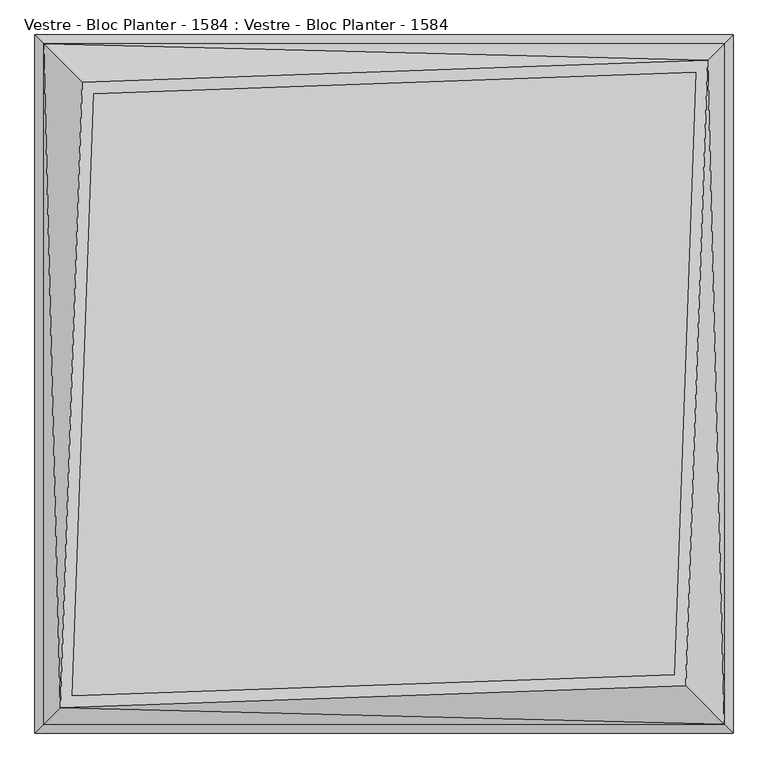
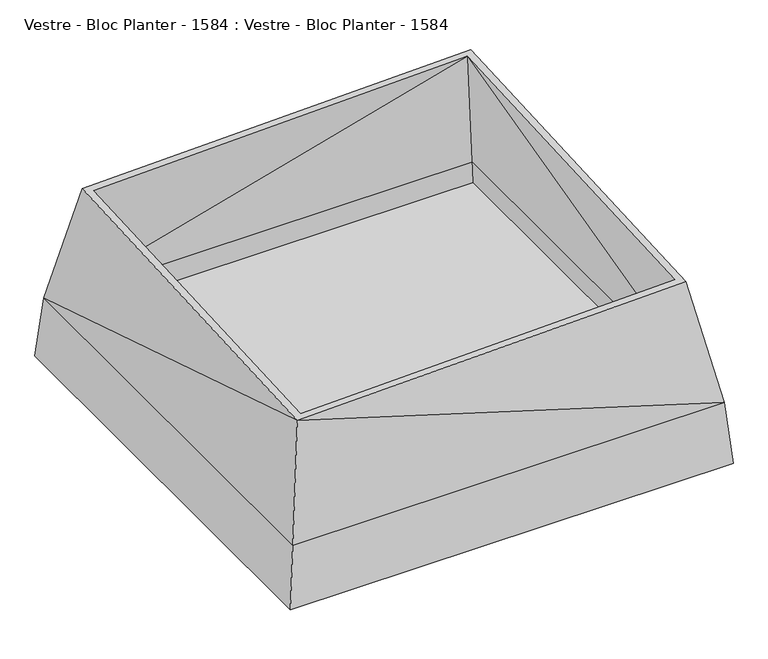
"""IFC4 building model written with IfcOpenShell, lengths in millimetres: furniture geometry, Vestre - Bloc Planter - 1584 : Vestre - Bloc Planter - 1584."""

from ifc_helpers import new_model, si_unit, frame, origin, place, context, project, spatial, polyline, circle_curve, source, transform, mapped, element, save
from ifc_brep_helpers import plane_surface, cylinder_surface, revolved_surface, advanced_brep


def vestre_bloc_planter_1584_vestre_bloc_planter_1584_76a7275d(model_context):
    return source(origin(), model_context, "Body", "AdvancedBrep", [
        advanced_brep(
        [(578.8108123, -673.1741054, 21.3333333), (486.3952592, -580.7585523, 21.3333333), (486.3952592, -580.7585523, 0.0), (578.7921693, -673.1554625, 0.0), (595.761108, -690.1244011, 23.9977032), (595.761108, -690.1244011, 53.3333333), (580.6761633, -675.0394565, 53.3333333), (580.6761633, -675.0394565, 23.9713381), (673.0917164, -578.8932012, 21.3333333), (674.9570675, -580.7585523, 23.9713381), (674.9570675, -580.7585523, 53.3333333), (690.0420121, -595.843497, 53.3333333), (690.0420121, -595.843497, 23.9977032), (673.0730735, -578.8745583, 0.0), (580.6761633, -486.4776482, 0.0), (580.6761633, -486.4776482, 21.3333333), (482.3822865, -773.3333333, 53.3333333), (492.2414414, -763.4741784, 165.3333333), (621.9656572, -633.7499626, 165.3333333), (633.6693874, -622.0462324, 165.3333333), (763.4741784, -492.2414414, 165.3333333), (773.3333333, -482.3822865, 53.3333333), (773.3333333, -512.5521758, 53.3333333), (763.4741784, -522.4113307, 165.3333333), (522.4113307, -763.4741784, 165.3333333), (512.5521758, -773.3333333, 53.3333333), (633.6693874, -633.7499626, 165.3333333), (-800.0, -800.0, 53.3333333), (-800.0, 800.0, 53.3333333), (800.0, 800.0, 53.3333333), (800.0, -800.0, 53.3333333), (773.3333333, -773.3333333, 53.3333333), (773.3333333, 482.3822865, 53.3333333), (674.9570675, 580.7585523, 53.3333333), (690.0420121, 595.843497, 53.3333333), (773.3333333, 512.5521758, 53.3333333), (773.3333333, 773.3333333, 53.3333333), (512.5521758, 773.3333333, 53.3333333), (595.761108, 690.1244011, 53.3333333), (580.6761633, 675.0394565, 53.3333333), (482.3822865, 773.3333333, 53.3333333), (-482.3822865, 773.3333333, 53.3333333), (-580.6761633, 675.0394565, 53.3333333), (-595.761108, 690.1244011, 53.3333333), (-512.5521758, 773.3333333, 53.3333333), (-773.3333333, 773.3333333, 53.3333333), (-773.3333333, 512.5521758, 53.3333333), (-690.0420121, 595.843497, 53.3333333), (-674.9570675, 580.7585523, 53.3333333), (-773.3333333, 482.3822865, 53.3333333), (-773.3333333, -482.3822865, 53.3333333), (-674.9570675, -580.7585523, 53.3333333), (-690.0420121, -595.843497, 53.3333333), (-773.3333333, -512.5521758, 53.3333333), (-773.3333333, -773.3333333, 53.3333333), (-512.5521758, -773.3333333, 53.3333333), (-595.761108, -690.1244011, 53.3333333), (-580.6761633, -675.0394565, 53.3333333), (-482.3822865, -773.3333333, 53.3333333), (-580.6761633, -675.0394565, 23.9713381), (-578.8108123, -673.1741054, 21.3333333), (-673.0917164, -578.8932012, 21.3333333), (-674.9570675, -580.7585523, 23.9713381), (-486.3952592, -580.7585523, 21.3333333), (-580.6761633, -486.4776482, 21.3333333), (-486.3952592, -580.7585523, 0.0), (-580.6761633, -486.4776482, 0.0), (-578.7921693, -673.1554625, 0.0), (-673.0730735, -578.8745583, 0.0), (-595.761108, -690.1244011, 23.9977032), (-690.0420121, -595.843497, 23.9977032), (-522.4113307, -763.4741784, 165.3333333), (-763.4741784, -522.4113307, 165.3333333), (-763.4741784, -492.2414414, 165.3333333), (-633.6681782, -622.0474416, 165.3333333), (-621.9656572, -633.7499626, 165.3333333), (-492.2414414, -763.4741784, 165.3333333), (-633.6681782, -633.7499626, 165.3333333), (741.6742243, 741.6742243, 721.8593225), (780.0, -780.0, 280.6554661), (780.0105298, 780.0, 280.534248), (-741.6742243, -741.6742243, 721.8593225), (-780.0104562, -780.0104562, 280.5350948), (-780.0, 780.0, 280.6554661), (753.3333333, 753.3333323, 280.5333449), (-753.3333333, 753.3333323, 280.5333449), (-760.8920188, 760.8920188, 194.6666667), (760.8920188, 760.8920188, 194.6666667), (-763.4741784, 763.4741784, 165.3333333), (-522.4113307, 763.4741784, 165.3333333), (763.4741784, 763.4741784, 165.3333333), (522.4113307, 763.4741784, 165.3333333), (492.2414414, 763.4741784, 165.3333333), (-492.2414414, 763.4741784, 165.3333333), (763.4741784, 492.2414414, 165.3333333), (763.4741784, -763.4741784, 165.3333333), (763.4741784, 522.4113307, 165.3333333), (753.3333323, -753.3333333, 280.5333448), (760.8920188, -760.8920188, 194.6666667), (-763.4741784, -763.4741784, 165.3333333), (-753.3333333, -753.3333323, 280.5333447), (-760.8920188, -760.8920188, 194.6666667), (-763.4741784, 492.2414414, 165.3333333), (-763.4741784, 522.4113307, 165.3333333), (714.0222995, 714.0183722, 721.8593225), (-665.6906992, 665.4851819, 721.8593225), (665.6800069, -665.8454104, 721.8593225), (-714.0225165, -714.0256842, 721.8593225), (-691.4706418, 691.2614989, 721.8593225), (691.4597608, -691.6280828, 721.8593225), (633.6693874, 622.0462324, 165.3333333), (-633.6681782, 622.0474416, 165.3333333), (622.1280168, 633.587603, 165.3333333), (-622.1280168, 633.587603, 165.3333333), (-633.6681782, 633.587603, 186.6666667), (-633.6681782, 633.587603, 165.3333333), (633.6693874, 633.587603, 165.3333333), (633.6693874, 633.587603, 186.6666667), (633.6693874, -633.7499626, 186.6666667), (-633.6681782, -633.7499626, 186.6666667), (690.0420121, 595.843497, 23.9977032), (595.761108, 690.1244011, 23.9977032), (580.6761633, 675.0394565, 23.9713381), (674.9570675, 580.7585523, 23.9713381), (-595.761108, 690.1244011, 23.9977032), (-690.0420121, 595.843497, 23.9977032), (-674.9570675, 580.7585523, 23.9713381), (-580.6761633, 675.0394565, 23.9713381), (578.8108123, 673.1741054, 21.3333333), (578.7921693, 673.1554625, 0.0), (486.3952592, 580.7585523, 0.0), (486.3952592, 580.7585523, 21.3333333), (673.0917164, 578.8932012, 21.3333333), (580.6761633, 486.4776482, 21.3333333), (580.6761633, 486.4776482, 0.0), (673.0730735, 578.8745583, 0.0), (-578.8108123, 673.1741054, 21.3333333), (-486.3952592, 580.7585523, 21.3333333), (-486.3952592, 580.7585523, 0.0), (-578.7921693, 673.1554625, 0.0), (-673.0917164, 578.8932012, 21.3333333), (-673.0730735, 578.8745583, 0.0), (-580.6761633, 486.4776482, 0.0), (-580.6761633, 486.4776482, 21.3333333)],
        [
            (0, 1),
            (1, 2),
            (2, 3),
            (3, 4, circle_curve(frame((578.7921693, -673.1554625, 23.9977032), z_axis=(-0.7071067811863656, -0.7071067811867294, 0.0), x_axis=(0.0, 0.0, 1.0)), 23.9977032)),
            (4, 5),
            (5, 6),
            (6, 7),
            (7, 0, circle_curve(frame((578.8108123, -673.1741054, 23.9713381), z_axis=(0.7071067811863656, 0.7071067811867294, 0.0), x_axis=(0.0, 0.0, 1.0)), 2.6380048)),
            (8, 9, circle_curve(frame((673.0917164, -578.8932012, 23.9713381), z_axis=(-0.7071067811863656, -0.7071067811867294, 0.0), x_axis=(0.0, 0.0, 1.0)), 2.6380048)),
            (9, 10),
            (10, 11),
            (11, 12),
            (12, 13, circle_curve(frame((673.0730735, -578.8745583, 23.9977032), z_axis=(0.7071067811863656, 0.7071067811867294, 0.0), x_axis=(0.0, 0.0, 1.0)), 23.9977032)),
            (13, 14),
            (14, 15),
            (15, 8),
            (7, 9),
            (8, 0),
            (6, 16),
            (16, 17),
            (17, 18),
            (18, 19),
            (19, 20),
            (20, 21),
            (21, 10),
            (4, 12),
            (11, 22),
            (22, 23),
            (23, 24),
            (24, 25),
            (25, 5),
            (3, 13),
            (2, 14),
            (1, 15),
            (18, 26),
            (26, 19),
            (27, 28),
            (28, 29),
            (29, 30),
            (30, 27),
            (25, 31),
            (31, 22),
            (21, 32),
            (32, 33),
            (33, 34),
            (34, 35),
            (35, 36),
            (36, 37),
            (37, 38),
            (38, 39),
            (39, 40),
            (40, 41),
            (41, 42),
            (42, 43),
            (43, 44),
            (44, 45),
            (45, 46),
            (46, 47),
            (47, 48),
            (48, 49),
            (49, 50),
            (50, 51),
            (51, 52),
            (52, 53),
            (53, 54),
            (54, 55),
            (55, 56),
            (56, 57),
            (57, 58),
            (58, 16),
            (59, 60, circle_curve(frame((-578.8108123, -673.1741054, 23.9713381), z_axis=(0.7071067811863656, -0.7071067811867294, 0.0), x_axis=(0.0, 0.0, 1.0)), 2.6380048)),
            (60, 61),
            (61, 62, circle_curve(frame((-673.0917164, -578.8932012, 23.9713381), z_axis=(-0.7071067811863656, 0.7071067811867294, 0.0), x_axis=(0.0, 0.0, 1.0)), 2.6380048)),
            (62, 59),
            (60, 63),
            (63, 64),
            (64, 61),
            (63, 65),
            (65, 66),
            (66, 64),
            (65, 67),
            (67, 68),
            (68, 66),
            (67, 69, circle_curve(frame((-578.7921693, -673.1554625, 23.9977032), z_axis=(-0.7071067811863656, 0.7071067811867294, 0.0), x_axis=(0.0, 0.0, 1.0)), 23.9977032)),
            (69, 70),
            (70, 68, circle_curve(frame((-673.0730735, -578.8745583, 23.9977032), z_axis=(0.7071067811863656, -0.7071067811867294, 0.0), x_axis=(0.0, 0.0, 1.0)), 23.9977032)),
            (70, 52),
            (51, 62),
            (59, 57),
            (56, 69),
            (55, 71),
            (71, 72),
            (72, 53),
            (50, 73),
            (73, 74),
            (74, 75),
            (75, 76),
            (76, 58),
            (74, 77),
            (77, 75),
            (78, 79),
            (79, 80),
            (80, 78),
            (79, 81),
            (81, 82),
            (82, 79),
            (81, 83),
            (83, 82),
            (80, 83),
            (83, 78),
            (84, 85),
            (85, 86),
            (86, 87),
            (87, 84),
            (88, 45),
            (44, 89),
            (89, 88),
            (36, 90),
            (90, 91),
            (91, 37),
            (40, 92),
            (92, 93),
            (93, 41),
            (20, 94),
            (94, 32),
            (31, 95),
            (95, 23),
            (35, 96),
            (96, 90),
            (97, 84),
            (87, 98),
            (98, 97),
            (24, 95),
            (54, 99),
            (99, 71),
            (76, 17),
            (100, 97),
            (98, 101),
            (101, 100),
            (72, 99),
            (49, 102),
            (102, 73),
            (88, 103),
            (103, 46),
            (85, 100),
            (101, 86),
            (97, 104),
            (104, 84),
            (85, 104),
            (104, 105),
            (105, 85),
            (97, 106),
            (106, 104),
            (100, 107),
            (107, 97),
            (85, 107),
            (107, 106),
            (105, 107),
            (81, 108),
            (108, 83),
            (108, 78),
            (78, 109),
            (109, 79),
            (109, 81),
            (83, 28),
            (27, 82),
            (80, 29),
            (79, 30),
            (19, 110),
            (110, 94),
            (102, 111),
            (111, 74),
            (89, 103),
            (96, 91),
            (75, 18),
            (92, 112),
            (112, 113),
            (113, 93),
            (114, 115),
            (115, 113),
            (112, 116),
            (116, 117),
            (117, 114),
            (116, 110),
            (26, 118),
            (118, 117),
            (77, 119),
            (119, 118),
            (114, 119),
            (111, 115),
            (112, 110),
            (34, 120),
            (120, 121),
            (121, 38),
            (39, 122),
            (122, 123),
            (123, 33),
            (111, 113),
            (43, 124),
            (124, 125),
            (125, 47),
            (48, 126),
            (126, 127),
            (127, 42),
            (128, 122, circle_curve(frame((578.8108123, 673.1741054, 23.9713381), z_axis=(0.7071067811863656, -0.7071067811867294, 0.0), x_axis=(0.0, 0.0, 1.0)), 2.6380048)),
            (121, 129, circle_curve(frame((578.7921693, 673.1554625, 23.9977032), z_axis=(-0.7071067811863656, 0.7071067811867294, 0.0), x_axis=(0.0, 0.0, 1.0)), 23.9977032)),
            (129, 130),
            (130, 131),
            (131, 128),
            (132, 133),
            (133, 134),
            (134, 135),
            (135, 120, circle_curve(frame((673.0730735, 578.8745583, 23.9977032), z_axis=(0.7071067811863656, -0.7071067811867294, 0.0), x_axis=(0.0, 0.0, 1.0)), 23.9977032)),
            (123, 132, circle_curve(frame((673.0917164, 578.8932012, 23.9713381), z_axis=(-0.7071067811863656, 0.7071067811867294, 0.0), x_axis=(0.0, 0.0, 1.0)), 2.6380048)),
            (128, 132),
            (135, 129),
            (134, 130),
            (133, 131),
            (136, 137),
            (137, 138),
            (138, 139),
            (139, 124, circle_curve(frame((-578.7921693, 673.1554625, 23.9977032), z_axis=(0.7071067811863656, 0.7071067811867294, 0.0), x_axis=(0.0, 0.0, 1.0)), 23.9977032)),
            (127, 136, circle_curve(frame((-578.8108123, 673.1741054, 23.9713381), z_axis=(-0.7071067811863656, -0.7071067811867294, 0.0), x_axis=(0.0, 0.0, 1.0)), 2.6380048)),
            (140, 126, circle_curve(frame((-673.0917164, 578.8932012, 23.9713381), z_axis=(0.7071067811863656, 0.7071067811867294, 0.0), x_axis=(0.0, 0.0, 1.0)), 2.6380048)),
            (125, 141, circle_curve(frame((-673.0730735, 578.8745583, 23.9977032), z_axis=(-0.7071067811863656, -0.7071067811867294, 0.0), x_axis=(0.0, 0.0, 1.0)), 23.9977032)),
            (141, 142),
            (142, 143),
            (143, 140),
            (140, 136),
            (139, 141),
            (138, 142),
            (137, 143),
        ],
        [
            plane_surface(frame((486.3952592, -580.7585523, 21.3333333), z_axis=(-0.7071067811863656, -0.7071067811867294, 0.0), x_axis=(-0.7071067811867294, 0.7071067811863656, 0.0))),
            plane_surface(frame((580.6761633, -486.4776482, 21.3333333), z_axis=(0.7071067811863656, 0.7071067811867294, 0.0), x_axis=(0.7071067811867294, -0.7071067811863656, 0.0))),
            revolved_surface(polyline([(673.0917164, -578.8932012, 26.6093429), (578.8108122000237, -673.1741054000247, 26.6093429)]), (673.0917164, -578.8932012, 23.9713381), (0.7071067811863656, 0.7071067811867294, 0.0)),
            plane_surface(frame((580.6761633, -675.0394565, 53.3333333), z_axis=(-0.7071067811867292, 0.7071067811863658, 0.0), x_axis=(0.7071067811863658, 0.7071067811867292, 0.0))),
            plane_surface(frame((595.761108, -690.1244011, 23.9977032), z_axis=(0.7071067811867298, -0.7071067811863653, 0.0), x_axis=(0.7071067811863653, 0.7071067811867298, 0.0))),
            cylinder_surface(frame((673.0730735, -578.8745583, 23.9977032), z_axis=(-0.7071067811863656, -0.7071067811867294, 0.0), x_axis=(0.0, 0.0, 1.0)), 23.9977032),
            plane_surface(frame((486.3952592, -580.7585523, 0.0), z_axis=(0.0, 0.0, -1.0000000000000002), x_axis=(0.7071067811863656, 0.7071067811867295, 0.0))),
            plane_surface(frame((486.3952592, -580.7585523, 21.3333333), z_axis=(-0.7071067811867295, 0.7071067811863656, 0.0), x_axis=(0.7071067811863656, 0.7071067811867295, 0.0))),
            plane_surface(frame((578.8108123, -673.1741054, 21.3333333), z_axis=(0.0, 0.0, 1.0), x_axis=(0.7071067811863658, 0.7071067811867292, 0.0))),
            plane_surface(frame((773.3333333, -482.3822865, 165.3333333), z_axis=(0.0, 0.0, 1.0), x_axis=(0.0, 1.0, 0.0))),
            plane_surface(frame((773.3333333, -482.3822865, 53.3333333), z_axis=(0.0, 0.0, -1.0), x_axis=(0.0, -1.0, 0.0))),
            revolved_surface(polyline([(-673.0917164, -578.8932012, 26.6093429), (-578.8108122000237, -673.1741054000247, 26.6093429)]), (-673.0917164, -578.8932012, 23.9713381), (-0.7071067811863656, 0.7071067811867294, 0.0)),
            plane_surface(frame((-486.3952592, -580.7585523, 21.3333333), z_axis=(0.0, 0.0, 1.0000000000000002), x_axis=(-0.7071067811863658, 0.7071067811867293, 0.0))),
            plane_surface(frame((-486.3952592, -580.7585523, 0.0), z_axis=(0.7071067811867296, 0.7071067811863655, 0.0), x_axis=(-0.7071067811863655, 0.7071067811867296, 0.0))),
            plane_surface(frame((-578.7921693, -673.1554625, 0.0), z_axis=(0.0, 0.0, -1.0000000000000002), x_axis=(-0.7071067811863655, 0.7071067811867296, 0.0))),
            cylinder_surface(frame((-673.0730735, -578.8745583, 23.9977032), z_axis=(0.7071067811863656, -0.7071067811867294, 0.0), x_axis=(0.0, 0.0, 1.0)), 23.9977032),
            plane_surface(frame((-673.0730735, -578.8745583, 47.9954064), z_axis=(-0.7071067811863656, 0.7071067811867294, 0.0), x_axis=(0.7071067811867294, 0.7071067811863656, 0.0))),
            plane_surface(frame((-578.7921693, -673.1554625, 47.9954064), z_axis=(0.7071067811863656, -0.7071067811867294, 0.0), x_axis=(-0.7071067811867294, -0.7071067811863656, 0.0))),
            plane_surface(frame((-778.5569705, -507.3285386, 165.3333333), z_axis=(-0.7071067811865542, -0.7071067811865409, 0.0), x_axis=(0.0, 0.0, -1.0))),
            plane_surface(frame((-476.9671687, -778.7484511, 165.3333333), z_axis=(0.7071067811865536, 0.7071067811865416, 0.0), x_axis=(0.0, 0.0, -1.0))),
            plane_surface(frame((-476.9671687, -778.7484511, 165.3333333), z_axis=(0.0, 0.0, 1.0000000000000002), x_axis=(0.9999935096929541, -0.0036028560848389473, 0.0))),
            plane_surface(frame((780.0, 0.0, 280.6554661), z_axis=(0.9962483358091488, 0.0, 0.08654047259809469), x_axis=(0.0, 1.0, 0.0))),
            plane_surface(frame((0.0, -780.0, 280.6554661), z_axis=(0.0, -0.9962483358091565, 0.08654047259800551), x_axis=(1.0, 0.0, 0.0))),
            plane_surface(frame((-780.0, 0.0, 280.6554661), z_axis=(-0.9962483358091578, 0.0, 0.08654047259799116), x_axis=(0.0, -1.0, 0.0))),
            plane_surface(frame((0.0, 780.0, 280.6554661), z_axis=(0.0, 0.996248335809155, 0.08654047259802371), x_axis=(-1.0, 0.0, 0.0))),
            plane_surface(frame((0.0, 773.3333333, 53.3333333), z_axis=(0.0, -0.996147893688272, -0.08768907514861532), x_axis=(-1.0, 0.0, 0.0))),
            plane_surface(frame((773.3333333, 0.0, 53.3333333), z_axis=(-0.996147893688272, 0.0, -0.08768907514861532), x_axis=(0.0, 1.0, 0.0))),
            plane_surface(frame((0.0, -773.3333333, 53.3333333), z_axis=(0.0, 0.9961478936882717, -0.08768907514861608), x_axis=(1.0, 0.0, 0.0))),
            plane_surface(frame((-773.3333333, 0.0, 53.3333333), z_axis=(0.996147893688272, 0.0, -0.08768907514861532), x_axis=(0.0, -1.0, 0.0))),
            plane_surface(frame((753.3333333, 0.0, 280.6554661), z_axis=(-0.996054119832719, 0.0, -0.08874790343589993), x_axis=(0.0, 1.0, 0.0))),
            plane_surface(frame((-753.3333333, 753.3333333, 280.6554661), z_axis=(0.03443177463404437, -0.9788346233479016, -0.20173555222350406), x_axis=(-0.9993818877318187, -0.035154551249968906, 0.0))),
            plane_surface(frame((753.3333333, -753.3333333, 280.6554661), z_axis=(-0.9789323947436814, 0.03429602027575473, -0.2012837537275336), x_axis=(0.03501262451242775, 0.9993868700982378, 0.0))),
            plane_surface(frame((0.0, -753.3333333, 280.6554661), z_axis=(0.0, 0.996054795283944, -0.08874032224338828), x_axis=(1.0, 0.0, 0.0))),
            plane_surface(frame((-753.3333333, 0.0, 280.6554661), z_axis=(0.996054163145077, 0.0, -0.08874741732219783), x_axis=(0.0, -1.0, 0.0))),
            plane_surface(frame((753.3333333, -753.3333333, 280.6554661), z_axis=(-0.03418778871885804, 0.979010176936022, -0.20092353908443394), x_axis=(0.9993908270190958, 0.03489949670250103, 0.0))),
            plane_surface(frame((-753.3333333, 753.3333333, 280.6554661), z_axis=(0.9789314542431135, -0.034297327693142074, -0.201288104980331), x_axis=(-0.035013991209692535, -0.9993868222162867, 0.0))),
            plane_surface(frame((0.0, 753.3333333, 280.6554661), z_axis=(0.0, -0.9960533360535415, -0.08875669967169136), x_axis=(-1.0, 0.0, 0.0))),
            plane_surface(frame((-780.0, 780.0, 280.6554661), z_axis=(-0.9785283564043937, 0.03428320496921996, 0.20324103318364276), x_axis=(-0.03501399120969255, -0.9993868222162867, 0.0))),
            plane_surface(frame((-780.0, 780.0, 280.6554661), z_axis=(-0.03441751028806573, 0.9784291131506576, 0.20369561979774825), x_axis=(-0.9993818877318187, -0.035154551249968906, 0.0))),
            plane_surface(frame((780.0, -780.0, 280.6554661), z_axis=(0.9785293203340364, -0.0342818989245766, 0.203236612480956), x_axis=(0.03501262451242776, 0.9993868700982378, 0.0))),
            plane_surface(frame((780.0, -780.0, 280.6554661), z_axis=(0.03417378071062204, -0.9786090400641867, 0.20287064700590246), x_axis=(0.9993908270190958, 0.03489949670250103, 0.0))),
            plane_surface(frame((-0.0027202, -0.091646, 721.8593225), z_axis=(0.0, 0.0, 1.0000000000000002), x_axis=(0.03501262451242776, 0.9993868700982378, 0.0))),
            plane_surface(frame((-800.0, 0.0, 53.3333333), z_axis=(-0.996147893688272, 0.0, 0.08768907514861532), x_axis=(0.0, -1.0, 0.0))),
            plane_surface(frame((0.0, 800.0, 53.3333333), z_axis=(0.0, 0.996147893688272, 0.08768907514861532), x_axis=(-1.0, 0.0, 0.0))),
            plane_surface(frame((800.0, 0.0, 53.3333333), z_axis=(0.996147893688272, 0.0, 0.08768907514861532), x_axis=(0.0, 1.0, 0.0))),
            plane_surface(frame((0.0, -800.0, 53.3333333), z_axis=(0.0, -0.9961478936882717, 0.08768907514861608), x_axis=(1.0, 0.0, 0.0))),
            plane_surface(frame((-633.6681782, 633.587603, 165.3333333), z_axis=(0.0, 0.0, -1.0), x_axis=(-1.0, 0.0, 0.0))),
            plane_surface(frame((-633.6681782, 633.587603, 186.6666667), z_axis=(0.0, -1.0, 0.0), x_axis=(0.0, 0.0, -1.0))),
            plane_surface(frame((633.6693874, 633.587603, 186.6666667), z_axis=(-1.0, 0.0, 0.0), x_axis=(0.0, 0.0, -1.0))),
            plane_surface(frame((633.6693874, -633.7499626, 186.6666667), z_axis=(0.0, 1.0, 0.0), x_axis=(0.0, 0.0, -1.0))),
            plane_surface(frame((-633.6681782, -633.7499626, 186.6666667), z_axis=(1.0, 0.0, 0.0), x_axis=(0.0, 0.0, -1.0))),
            plane_surface(frame((773.3333333, 512.5521758, 165.3333333), z_axis=(0.0, 0.0, 1.0000000000000002), x_axis=(-0.7071067811865459, 0.7071067811865492, 0.0))),
            plane_surface(frame((773.3333333, 512.5521758, 165.3333333), z_axis=(0.7071067811865492, 0.7071067811865459, 0.0), x_axis=(0.0, 0.0, -1.0))),
            plane_surface(frame((482.3822865, 773.3333333, 165.3333333), z_axis=(-0.7071067811865491, -0.707106781186546, 0.0), x_axis=(0.0, 0.0, -1.0))),
            plane_surface(frame((-773.3333333, 482.3822865, 165.3333333), z_axis=(0.0, 0.0, 1.0), x_axis=(0.0, -1.0, 0.0))),
            plane_surface(frame((-512.5521758, 773.3333333, 165.3333333), z_axis=(-0.7071067811865492, 0.7071067811865459, 0.0), x_axis=(0.0, 0.0, -1.0))),
            plane_surface(frame((-773.3333333, 482.3822865, 165.3333333), z_axis=(0.7071067811865491, -0.707106781186546, 0.0), x_axis=(0.0, 0.0, -1.0))),
            plane_surface(frame((578.8108123, 673.1741054, 26.6093429), z_axis=(-0.7071067811863656, 0.7071067811867294, 0.0), x_axis=(-0.7071067811867294, -0.7071067811863656, 0.0))),
            plane_surface(frame((673.0917164, 578.8932012, 26.6093429), z_axis=(0.7071067811863656, -0.7071067811867294, 0.0), x_axis=(0.7071067811867294, 0.7071067811863656, 0.0))),
            revolved_surface(polyline([(673.0917164, 578.8932012, 26.6093429), (578.8108122000237, 673.1741054000247, 26.6093429)]), (673.0917164, 578.8932012, 23.9713381), (0.7071067811863656, -0.7071067811867294, 0.0)),
            cylinder_surface(frame((673.0730735, 578.8745583, 23.9977032), z_axis=(-0.7071067811863656, 0.7071067811867294, 0.0), x_axis=(0.0, 0.0, 1.0)), 23.9977032),
            plane_surface(frame((578.7921693, 673.1554625, 0.0), z_axis=(0.0, 0.0, -1.0000000000000002), x_axis=(0.7071067811863658, -0.7071067811867293, 0.0))),
            plane_surface(frame((486.3952592, 580.7585523, 0.0), z_axis=(-0.7071067811867295, -0.7071067811863656, 0.0), x_axis=(0.7071067811863656, -0.7071067811867295, 0.0))),
            plane_surface(frame((486.3952592, 580.7585523, 21.3333333), z_axis=(0.0, 0.0, 1.0000000000000002), x_axis=(0.7071067811863656, -0.7071067811867295, 0.0))),
            plane_surface(frame((-486.3952592, 580.7585523, 21.3333333), z_axis=(0.7071067811863656, 0.7071067811867294, 0.0), x_axis=(0.7071067811867294, -0.7071067811863656, 0.0))),
            plane_surface(frame((-580.6761633, 486.4776482, 21.3333333), z_axis=(-0.7071067811863656, -0.7071067811867294, 0.0), x_axis=(-0.7071067811867294, 0.7071067811863656, 0.0))),
            revolved_surface(polyline([(-673.0917164, 578.8932012, 26.6093429), (-578.8108122000237, 673.1741054000247, 26.6093429)]), (-673.0917164, 578.8932012, 23.9713381), (-0.7071067811863656, -0.7071067811867294, 0.0)),
            cylinder_surface(frame((-673.0730735, 578.8745583, 23.9977032), z_axis=(0.7071067811863656, 0.7071067811867294, 0.0), x_axis=(0.0, 0.0, 1.0)), 23.9977032),
            plane_surface(frame((-486.3952592, 580.7585523, 0.0), z_axis=(0.0, 0.0, -1.0000000000000002), x_axis=(-0.7071067811863656, -0.7071067811867295, 0.0))),
            plane_surface(frame((-486.3952592, 580.7585523, 21.3333333), z_axis=(0.7071067811867295, -0.7071067811863656, 0.0), x_axis=(-0.7071067811863656, -0.7071067811867295, 0.0))),
            plane_surface(frame((-578.8108123, 673.1741054, 21.3333333), z_axis=(0.0, 0.0, 1.0), x_axis=(-0.7071067811863658, -0.7071067811867292, 0.0))),
            plane_surface(frame((-766.6660621, -766.7478464, 194.6666667), z_axis=(0.0, 0.0, 1.0), x_axis=(1.0, 0.0, 0.0))),
            plane_surface(frame((-766.6660621, -766.7478464, 186.6666667), z_axis=(0.0, 0.0, -1.0), x_axis=(-1.0, 0.0, 0.0))),
        ],
        [
            (0, [[1, 2, 3, 4, 5, 6, 7, 8]]),
            (1, [[9, 10, 11, 12, 13, 14, 15, 16]]),
            (2, [[-8, 17, -9, 18]]),
            (3, [[-7, 19, 20, 21, 22, 23, 24, 25, -10, -17]]),
            (4, [[-5, 26, -12, 27, 28, 29, 30, 31]]),
            (5, [[-4, 32, -13, -26]]),
            (6, [[-3, 33, -14, -32]]),
            (7, [[-2, 34, -15, -33]]),
            (8, [[-1, -18, -16, -34]]),
            (9, [[-22, 35, 36]]),
            (10, [[37, 38, 39, 40], [-31, 41, 42, -27, -11, -25, 43, 44, 45, 46, 47, 48, 49, 50, 51, 52, 53, 54, 55, 56, 57, 58, 59, 60, 61, 62, 63, 64, 65, 66, 67, 68, 69, 70, -19, -6]]),
            (11, [[71, 72, 73, 74]]),
            (12, [[-72, 75, 76, 77]]),
            (13, [[-76, 78, 79, 80]]),
            (14, [[-79, 81, 82, 83]]),
            (15, [[-82, 84, 85, 86]]),
            (16, [[-73, -77, -80, -83, -86, 87, -63, 88]]),
            (17, [[-71, 89, -68, 90, -84, -81, -78, -75]]),
            (18, [[-85, -90, -67, 91, 92, 93, -64, -87]]),
            (19, [[-74, -88, -62, 94, 95, 96, 97, 98, -69, -89]]),
            (20, [[-96, 99, 100]]),
            (21, [[101, 102, 103]]),
            (22, [[104, 105, 106]]),
            (23, [[-105, 107, 108]]),
            (24, [[-103, 109, 110]]),
            (25, [[111, 112, 113, 114]]),
            (25, [[115, -56, 116, 117]]),
            (25, [[118, 119, 120, -48]]),
            (25, [[121, 122, 123, -52]]),
            (26, [[-24, 124, 125, -43]]),
            (26, [[-42, 126, 127, -28]]),
            (26, [[-118, -47, 128, 129]]),
            (26, [[130, -114, 131, 132]]),
            (27, [[-41, -30, 133, -126]]),
            (27, [[-91, -66, 134, 135]]),
            (27, [[-98, 136, -20, -70]]),
            (27, [[137, -132, 138, 139]]),
            (28, [[-93, 140, -134, -65]]),
            (28, [[-94, -61, 141, 142]]),
            (28, [[-115, 143, 144, -57]]),
            (28, [[145, -139, 146, -112]]),
            (29, [[-130, 147, 148]]),
            (30, [[149, 150, 151]]),
            (31, [[-147, 152, 153]]),
            (32, [[-137, 154, 155]]),
            (33, [[-145, 156, -154]]),
            (34, [[-152, -155, 157]]),
            (35, [[-151, 158, -156]]),
            (36, [[-111, -148, -149]]),
            (37, [[-107, 159, 160]]),
            (38, [[-110, -160, 161]]),
            (39, [[-101, 162, 163]]),
            (40, [[-104, -163, 164]]),
            (41, [[-159, -164, -162, -161], [-150, -153, -157, -158]]),
            (42, [[-108, 165, -37, 166]]),
            (43, [[-109, 167, -38, -165]]),
            (44, [[-102, 168, -39, -167]]),
            (45, [[-106, -166, -40, -168]]),
            (46, [[-23, 169, 170, -124]]),
            (46, [[-29, -127, -133]]),
            (46, [[-92, -135, -140]]),
            (46, [[-95, -142, 171, 172]]),
            (46, [[-117, 173, -143]]),
            (46, [[-119, -129, 174]]),
            (46, [[175, -21, -136, -97]]),
            (46, [[176, 177, 178, -122]]),
            (47, [[179, 180, -177, 181, 182, 183]]),
            (48, [[-182, 184, -169, -36, 185, 186]]),
            (49, [[-185, -35, -175, -100, 187, 188]]),
            (50, [[-179, 189, -187, -99, -172, 190]]),
            (51, [[191, -184, -181]]),
            (52, [[-120, -174, -128, -46, 192, 193, 194, -49]]),
            (53, [[-191, -176, -121, -51, 195, 196, 197, -44, -125, -170]]),
            (54, [[198, -180, -190]]),
            (55, [[-116, -55, 199, 200, 201, -58, -144, -173]]),
            (56, [[-198, -171, -141, -60, 202, 203, 204, -53, -123, -178]]),
            (57, [[205, -195, -50, -194, 206, 207, 208, 209]]),
            (58, [[210, 211, 212, 213, -192, -45, -197, 214]]),
            (59, [[-205, 215, -214, -196]]),
            (60, [[-206, -193, -213, 216]]),
            (61, [[-207, -216, -212, 217]]),
            (62, [[-208, -217, -211, 218]]),
            (63, [[-209, -218, -210, -215]]),
            (64, [[219, 220, 221, 222, -199, -54, -204, 223]]),
            (65, [[224, -202, -59, -201, 225, 226, 227, 228]]),
            (66, [[-223, -203, -224, 229]]),
            (67, [[-222, 230, -225, -200]]),
            (68, [[-221, 231, -226, -230]]),
            (69, [[-220, 232, -227, -231]]),
            (70, [[-219, -229, -228, -232]]),
            (71, [[-113, -146, -138, -131]]),
            (72, [[-183, -186, -188, -189]]),
        ],
    ),
    ])


if __name__ == "__main__":
    model = new_model("IFC4")
    model_context = context("Model", 3, world=origin())
    ifc_project = project(units=[si_unit("LENGTHUNIT", "METRE", prefix="MILLI")], contexts=[model_context])
    site = spatial("IfcSite", under=ifc_project)
    building = spatial("IfcBuilding", under=site)
    placement = place(None, origin())
    vestre_bloc_planter_1584_vestre_bloc_planter_1584_shape = vestre_bloc_planter_1584_vestre_bloc_planter_1584_76a7275d(model_context)
    element("IfcFurniture", 1, ObjectType="Vestre - Bloc Planter - 1584 : Vestre - Bloc Planter - 1584", at=placement, inside=building, context=model_context, shape_type="MappedRepresentation", body=[
        mapped(vestre_bloc_planter_1584_vestre_bloc_planter_1584_shape, transform((0.0, 0.0, 0.0), x_axis=(1.0, 0.0, 0.0), y_axis=(0.0, 1.0, 0.0), z_axis=(0.0, 0.0, 1.0))),
    ])
    save(model, "model.ifc")
